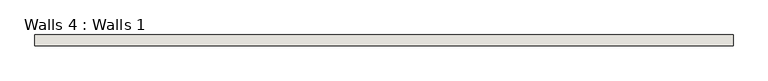
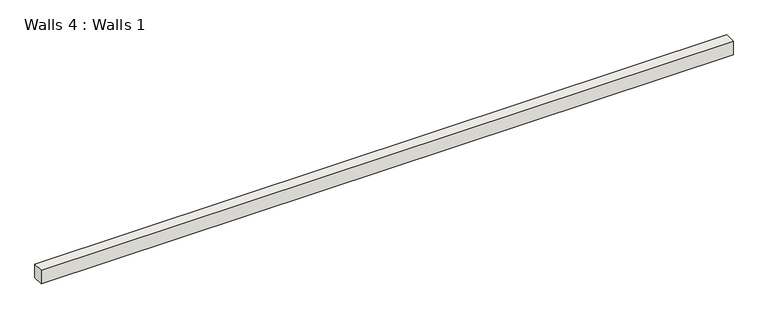
"""IFC4 building model written with IfcOpenShell, lengths in millimetres: wall geometry, Walls 4 : Walls 1."""

from ifc_helpers import new_model, si_unit, frame, origin, place, context, project, spatial, polyline, outline, extrude, source, transform, mapped, element, save


def walls_4_walls_1_42cfbe8e(model_context):
    return source(origin(), model_context, "Body", "SweptSolid", [
        extrude(outline(polyline([(-335.1987929, 3809.9569887), (-335.1987929, 3848.0569887), (2128.6012071, 3848.0569887), (2128.6012071, 3809.9569887), (-335.1987929, 3809.9569887)])), frame((0.0, 0.0, -25.3431034), z_axis=(0.0, 0.0, 1.0), x_axis=(1.0, 0.0, 0.0)), (0.0, 0.0, 1.0), 50.8),
    ])


if __name__ == "__main__":
    model = new_model("IFC4")
    model_context = context("Model", 3, world=origin())
    ifc_project = project(units=[si_unit("LENGTHUNIT", "METRE", prefix="MILLI")], contexts=[model_context])
    site = spatial("IfcSite", under=ifc_project)
    building = spatial("IfcBuilding", under=site)
    placement = place(None, origin())
    walls_4_walls_1_shape = walls_4_walls_1_42cfbe8e(model_context)
    element("IfcWall", 1, ObjectType="Walls 4 : Walls 1", at=placement, inside=building, context=model_context, shape_type="MappedRepresentation", body=[
        mapped(walls_4_walls_1_shape, transform((0.0, 0.0, 0.0), x_axis=(1.0, 0.0, 0.0), y_axis=(0.0, 1.0, 0.0), z_axis=(0.0, 0.0, 1.0))),
    ])
    save(model, "model.ifc")
